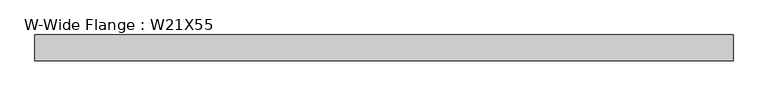
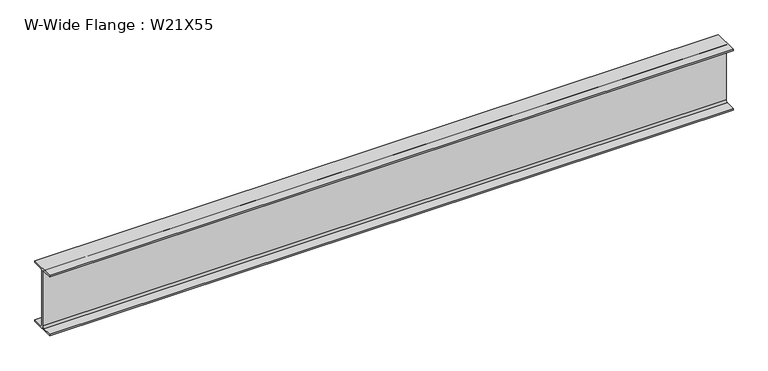
"""IFC4 building model written with IfcOpenShell, lengths in millimetres: beam geometry, W-Wide Flange : W21X55."""

from ifc_helpers import new_model, si_unit, point, frame, frame_2d, origin, place, context, project, spatial, polyline, circle_curve, trimmed, segment, composite_curve, outline, extrude, source, transform, mapped, element, save


def w_wide_flange_w21x55_f63b496c(model_context):
    return source(origin(), model_context, "Body", "SweptSolid", [
        extrude(outline(composite_curve([segment(polyline([(104.394, -250.9012), (104.394, -264.16), (-104.394, -264.16), (-104.394, -250.9012), (-21.6662, -250.9012)]), True, "CONTINUOUS"), segment(trimmed(circle_curve(frame_2d((-21.6662, -233.9975)), 16.9037), [point((-21.6662, -250.9012))], [point((-4.7625, -233.9975))], True, "CARTESIAN"), True, "CONTINUOUS"), segment(polyline([(-4.7625, -233.9975), (-4.7625, 233.9975)]), True, "CONTINUOUS"), segment(trimmed(circle_curve(frame_2d((-21.6662, 233.9975)), 16.9037), [point((-4.7625, 233.9975))], [point((-21.6662, 250.9012))], True, "CARTESIAN"), True, "CONTINUOUS"), segment(polyline([(-21.6662, 250.9012), (-104.394, 250.9012), (-104.394, 264.16), (104.394, 264.16), (104.394, 250.9012), (21.6662, 250.9012)]), True, "CONTINUOUS"), segment(trimmed(circle_curve(frame_2d((21.6662, 233.9975)), 16.9037), [point((21.6662, 250.9012))], [point((4.7625, 233.9975))], True, "CARTESIAN"), True, "CONTINUOUS"), segment(polyline([(4.7625, 233.9975), (4.7625, -233.9975)]), True, "CONTINUOUS"), segment(trimmed(circle_curve(frame_2d((21.6662, -233.9975)), 16.9037), [point((4.7625, -233.9975))], [point((21.6662, -250.9012))], True, "CARTESIAN"), True, "CONTINUOUS"), segment(polyline([(21.6662, -250.9012), (104.394, -250.9012)]), True, "CONTINUOUS")], self_intersect=False)), frame((-2926.920091, 0.0, 0.0), z_axis=(1.0, 0.0, 0.0), x_axis=(0.0, 1.0, 0.0)), (0.0, 0.0, 1.0), 5635.195091),
    ])


if __name__ == "__main__":
    model = new_model("IFC4")
    model_context = context("Model", 3, world=origin())
    ifc_project = project(units=[si_unit("LENGTHUNIT", "METRE", prefix="MILLI")], contexts=[model_context])
    site = spatial("IfcSite", under=ifc_project)
    building = spatial("IfcBuilding", under=site)
    placement = place(None, origin())
    w_wide_flange_w21x55_shape = w_wide_flange_w21x55_f63b496c(model_context)
    element("IfcBeam", 1, ObjectType="W-Wide Flange : W21X55", at=placement, inside=building, context=model_context, shape_type="MappedRepresentation", body=[
        mapped(w_wide_flange_w21x55_shape, transform((0.0, 0.0, 0.0), x_axis=(1.0, 0.0, 0.0), y_axis=(0.0, 1.0, 0.0), z_axis=(0.0, 0.0, 1.0))),
    ])
    save(model, "model.ifc")
